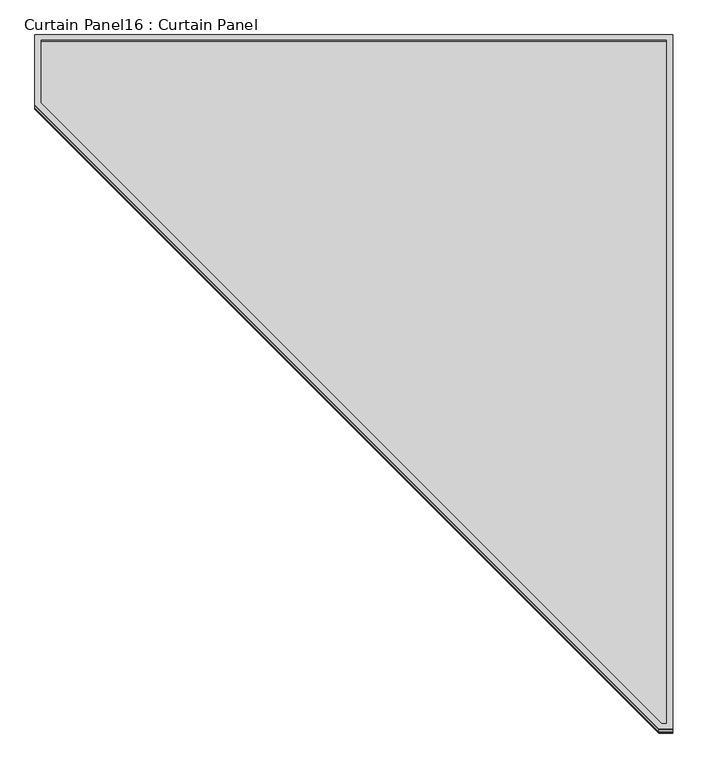
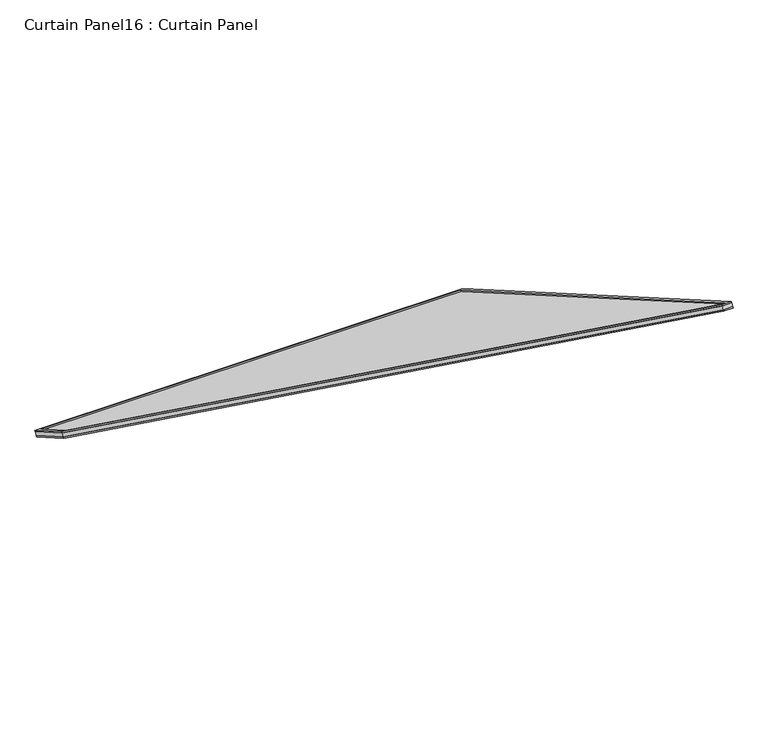
"""IFC4 building model written with IfcOpenShell, lengths in millimetres: plate geometry, Curtain Panel16 : Curtain Panel."""

from ifc_helpers import new_model, si_unit, frame, origin, place, context, project, spatial, polyline, outline, extrude, source, transform, mapped, element, save


def curtain_panel16_curtain_panel_5c489668(model_context):
    return source(origin(), model_context, "Body", "SweptSolid", [
        extrude(outline(polyline([(1993.5271137, -15.8877), (-15.8877, -15.8877), (-15.8877, 18.8546499), (1791.7470915, 1584.3123), (1993.5271137, 1584.3123), (1993.5271137, -15.8877)]), holes=[polyline([(1797.6704183, 1568.4246), (0.0, 11.5963501), (0.0, 0.0), (1977.6394137, 0.0), (1977.6394137, 1568.4246), (1797.6704183, 1568.4246)])]), frame((4297.3653333, -11251.6514055, 2688.7393978), z_axis=(0.0, 0.4999999999999995, 0.866025403784439), x_axis=(0.0, 0.866025403784439, -0.4999999999999995)), (0.0, 0.0, 1.0), 4.0243125),
        extrude(outline(polyline([(1998.2896136, -11.1252), (-11.1252, -11.1252), (-11.1252, 23.6171499), (1796.5095914, 1589.0748), (1998.2896136, 1589.0748), (1998.2896136, -11.1252)]), holes=[polyline([(1800.6573408, 1577.9496), (0.0, 18.5345994), (0.0, 0.0), (1987.1644136, 0.0), (1987.1644136, 1577.9496), (1800.6573408, 1577.9496)])]), frame((4302.1278333, -11265.0031952, 2675.1384196), z_axis=(0.0, 0.4999999999999989, 0.8660254037844394), x_axis=(0.0, 0.8660254037844394, -0.4999999999999989)), (0.0, 0.0, 1.0), 4.8617188),
        extrude(outline(polyline([(12.7, 0.0), (1612.9, 0.0), (1612.9, -2009.4148137), (1578.1576501, -2009.4148137), (12.7, -201.7800222), (12.7, 0.0)])), frame((2700.3530333, -9532.0027663, 1680.2039847), z_axis=(0.0, 0.5000000000000002, 0.8660254037844386), x_axis=(1.0, 0.0, 0.0)), (0.0, 0.0, 1.0), 13.5929687),
    ])


if __name__ == "__main__":
    model = new_model("IFC4")
    model_context = context("Model", 3, world=origin())
    ifc_project = project(units=[si_unit("LENGTHUNIT", "METRE", prefix="MILLI")], contexts=[model_context])
    site = spatial("IfcSite", under=ifc_project)
    building = spatial("IfcBuilding", under=site)
    placement = place(None, origin())
    curtain_panel16_curtain_panel_shape = curtain_panel16_curtain_panel_5c489668(model_context)
    element("IfcPlate", 1, ObjectType="Curtain Panel16 : Curtain Panel", at=placement, inside=building, context=model_context, shape_type="MappedRepresentation", body=[
        mapped(curtain_panel16_curtain_panel_shape, transform((0.0, 0.0, 0.0), x_axis=(1.0, 0.0, 0.0), y_axis=(0.0, 1.0, 0.0), z_axis=(0.0, 0.0, 1.0))),
    ])
    save(model, "model.ifc")
